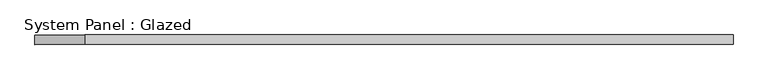
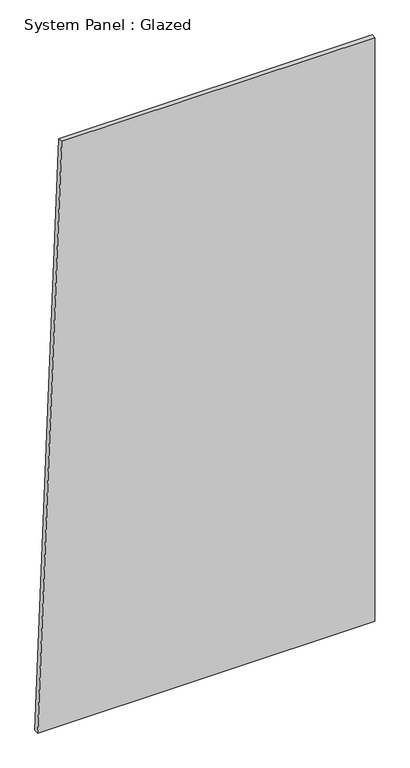
"""IFC4 building model written with IfcOpenShell, lengths in millimetres: plate geometry, System Panel : Glazed."""

from ifc_helpers import new_model, si_unit, frame, origin, place, context, project, spatial, polyline, outline, extrude, source, transform, mapped, element, save


def system_panel_glazed_183c52cd(model_context):
    return source(origin(), model_context, "Body", "SweptSolid", [
        extrude(outline(polyline([(0.0, -910.59463), (0.0, 910.59463), (3332.3060389, 910.59463), (3332.3060389, -780.8384105), (0.0, -910.59463)])), frame((0.0, -49.5, 0.0), z_axis=(0.0, 1.0, 0.0), x_axis=(0.0, 0.0, 1.0)), (0.0, 0.0, 1.0), 25.0),
    ])


if __name__ == "__main__":
    model = new_model("IFC4")
    model_context = context("Model", 3, world=origin())
    ifc_project = project(units=[si_unit("LENGTHUNIT", "METRE", prefix="MILLI")], contexts=[model_context])
    site = spatial("IfcSite", under=ifc_project)
    building = spatial("IfcBuilding", under=site)
    placement = place(None, origin())
    system_panel_glazed_shape = system_panel_glazed_183c52cd(model_context)
    element("IfcPlate", 1, ObjectType="System Panel : Glazed", at=placement, inside=building, context=model_context, shape_type="MappedRepresentation", body=[
        mapped(system_panel_glazed_shape, transform((0.0, 0.0, 0.0), x_axis=(1.0, 0.0, 0.0), y_axis=(0.0, 1.0, 0.0), z_axis=(0.0, 0.0, 1.0))),
    ])
    save(model, "model.ifc")
